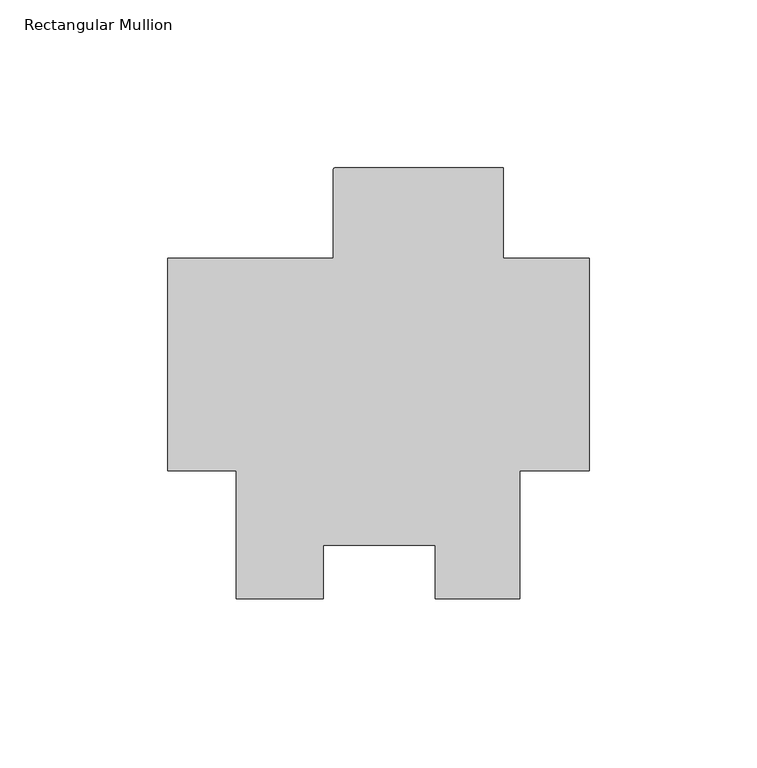
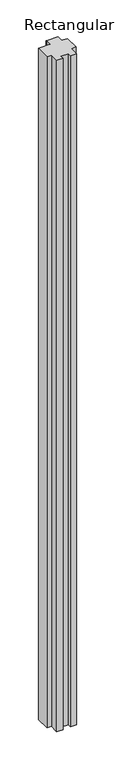
"""IFC4 building model written with IfcOpenShell, lengths in millimetres: member geometry, Rectangular Mullion."""

from ifc_helpers import new_model, si_unit, point, frame, frame_2d, origin, place, context, project, spatial, polyline, circle_curve, trimmed, segment, composite_curve, outline, extrude, source, transform, mapped, element, save


def rectangular_mullion_bfe9cfca(model_context):
    return source(origin(), model_context, "Body", "SweptSolid", [
        extrude(outline(composite_curve([segment(polyline([(-25.577927, 42.05605), (-25.577927, 15.08125), (0.0, 15.08125), (0.0, -48.41875), (-20.6735973, -48.41875), (-20.6735973, -86.51875), (-45.9670891, -86.51875), (-45.9670891, -70.6312251), (-79.3689318, -70.6312251), (-79.3689318, -86.5419534), (-105.2447888, -86.5419534), (-105.2447888, -48.41875), (-125.7808, -48.41875), (-125.7808, 15.08125), (-76.377927, 15.08125), (-76.377927, 41.26865)]), True, "CONTINUOUS"), segment(trimmed(circle_curve(frame_2d((-75.590527, 41.26865)), 0.7874), [point((-76.377927, 41.26865))], [point((-75.590527, 42.05605))], False, "CARTESIAN"), True, "CONTINUOUS"), segment(polyline([(-75.590527, 42.05605), (-25.577927, 42.05605)]), True, "CONTINUOUS")], self_intersect=False)), frame((0.0, 0.0, -3048.0), z_axis=(0.0, 0.0, 1.0), x_axis=(1.0, 0.0, 0.0)), (0.0, 0.0, 1.0), 3048.0),
    ])


if __name__ == "__main__":
    model = new_model("IFC4")
    model_context = context("Model", 3, world=origin())
    ifc_project = project(units=[si_unit("LENGTHUNIT", "METRE", prefix="MILLI")], contexts=[model_context])
    site = spatial("IfcSite", under=ifc_project)
    building = spatial("IfcBuilding", under=site)
    placement = place(None, origin())
    rectangular_mullion_shape = rectangular_mullion_bfe9cfca(model_context)
    element("IfcMember", 1, ObjectType="Rectangular Mullion", at=placement, inside=building, context=model_context, shape_type="MappedRepresentation", body=[
        mapped(rectangular_mullion_shape, transform((0.0, 0.0, 0.0), x_axis=(1.0, 0.0, 0.0), y_axis=(0.0, 1.0, 0.0), z_axis=(0.0, 0.0, 1.0))),
    ])
    save(model, "model.ifc")
